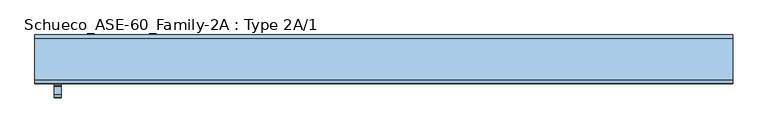
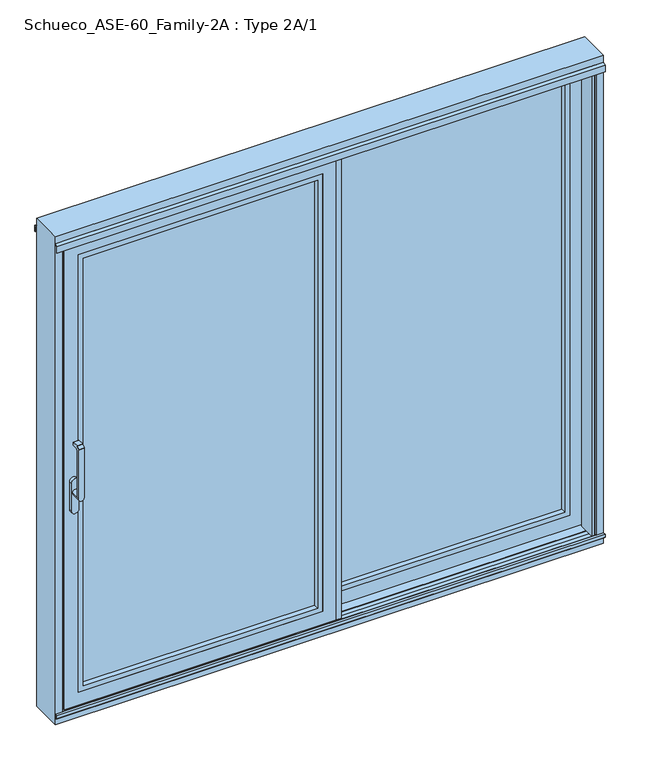
"""IFC4 building model written with IfcOpenShell, lengths in millimetres: window geometry, Schueco_ASE-60_Family-2A : Type 2A/1."""

from ifc_helpers import new_model, si_unit, point, frame, frame_2d, origin, origin_with_axes, place, context, project, spatial, polyline, circle_curve, trimmed, segment, composite_curve, outline, extrude, faceted_brep, source, transform, mapped, element, save
from ifc_brep_helpers import plane_surface, cylinder_surface, revolved_surface, advanced_brep


def schueco_ase_60_family_2a_type_2a_1_869ea8f3(model_context):
    return source(origin(), model_context, "Body", "SolidModel", [
        extrude(outline(polyline([(-51.0016879, 80.0), (-31.0017184, 80.0), (-31.0017184, 74.5), (-47.2016228, 74.5), (-47.2016228, 20.0000255), (-9.48e-05, 20.0000255), (-9.48e-05, 4.0000255), (-51.0016879, 4.0000255), (-51.0016879, 80.0)])), frame((0.0, 0.0, 3.9982816), z_axis=(0.0, 0.0, 1.0), x_axis=(1.0, 0.0, 0.0)), (0.0, 0.0, 1.0), 2127.0034368),
        extrude(outline(polyline([(2071.0, 1090.0), (2071.0, 29.0), (64.0, 29.0), (64.0, 1090.0), (2071.0, 1090.0)]), holes=[polyline([(2048.987351, 51.012649), (2048.987351, 1067.987351), (86.012649, 1067.987351), (86.012649, 51.012649), (2048.987351, 51.012649)])]), frame((0.0, 20.0000255, 0.0), z_axis=(0.0, 1.0, 0.0), x_axis=(0.0, 0.0, 1.0)), (0.0, 0.0, 1.0), 22.9999656),
        extrude(outline(polyline([(1090.0, 68.9999911), (1090.0, 42.9999911), (29.0, 42.9999911), (29.0, 68.9999911), (1090.0, 68.9999911)])), frame((0.0, 0.0, 64.0), z_axis=(0.0, 0.0, 1.0), x_axis=(1.0, 0.0, 0.0)), (0.0, 0.0, 1.0), 2007.0),
        faceted_brep([(1150.0, 25.5000255, 2131.0), (-31.0, 25.5000255, 2131.0), (-31.0, 20.0000255, 2131.0), (1150.0, 20.0000255, 2131.0), (51.0, 68.9999911, 2049.0), (51.0, 68.9999911, 86.0), (51.0, 80.0, 86.0), (51.0, 80.0, 2049.0), (-31.0017184, 80.0, 2131.0017184), (1150.0017184, 80.0, 2131.0017184), (1150.0017184, 80.0, 3.9982816), (-31.0017184, 80.0, 3.9982816), (1068.0, 80.0, 2049.0), (1068.0, 80.0, 86.0), (1068.0, 68.9999911, 86.0), (1090.0, 68.9999911, 2071.0), (29.0, 68.9999911, 2071.0), (29.0, 68.9999911, 64.0), (1090.0, 68.9999911, 64.0), (1068.0, 68.9999911, 2049.0), (29.0, 20.0000255, 2071.0), (29.0, 20.0000255, 64.0), (1090.0, 20.0000255, 64.0), (-31.0, 20.0000255, 4.0), (1150.0, 20.0000255, 4.0), (1090.0, 20.0000255, 2071.0), (-31.0, 25.5000255, 4.0), (1150.0, 25.5000255, 4.0), (1120.0, 25.5000255, 2101.0), (-1.0, 25.5000255, 2101.0), (-1.0, 25.5000255, 34.0), (1120.0, 25.5000255, 34.0), (-1.0, 74.5000332, 2101.0), (-1.0, 74.5000332, 34.0), (1150.0017184, 74.5000332, 2131.0017184), (-31.0017184, 74.5000332, 2131.0017184), (-31.0017184, 74.5000332, 3.9982816), (1150.0017184, 74.5000332, 3.9982816), (1120.0, 74.5000332, 2101.0), (1120.0, 74.5000332, 34.0)], [[[0, 1, 2, 3]], [[4, 5, 6, 7]], [[8, 9, 10, 11], [12, 7, 6, 13]], [[5, 14, 13, 6]], [[15, 16, 17, 18], [4, 19, 14, 5]], [[20, 21, 17, 16]], [[21, 22, 18, 17]], [[3, 2, 23, 24], [20, 25, 22, 21]], [[1, 26, 23, 2]], [[26, 27, 24, 23]], [[1, 0, 27, 26], [28, 29, 30, 31]], [[32, 33, 30, 29]], [[34, 35, 36, 37], [32, 38, 39, 33]], [[8, 11, 36, 35]], [[27, 0, 3, 24]], [[19, 4, 7, 12]], [[25, 20, 16, 15]], [[33, 39, 31, 30]], [[11, 10, 37, 36]], [[14, 19, 12, 13]], [[22, 25, 15, 18]], [[39, 38, 28, 31]], [[10, 9, 34, 37]], [[38, 32, 29, 28]], [[9, 8, 35, 34]]]),
        advanced_brep(
        [(-1099.75, -109.9999695, 1214.6494011), (-1099.75, -109.9999695, 999.0), (-1123.75, -109.9999695, 999.005052), (-1123.75, -109.9999695, 1214.6494011), (-1123.75, -73.9999695, 999.005052), (-1099.75, -73.9999695, 999.005052), (-1099.75, -121.414183, 1225.6502145), (-1099.75, -110.6501229, 1236.4142746), (-1123.75, -110.6501229, 1236.4142746), (-1123.75, -121.414183, 1225.6502145), (-1123.75, -121.9999695, 999.005052), (-1099.75, -121.9999695, 999.005052), (-1099.75, -121.9999695, 1224.2360009), (-1123.75, -121.9999695, 1224.2360009), (-1099.75, -102.6493095, 1222.000061), (-1099.75, -81.9999695, 1222.000061), (-1099.75, -79.9999695, 1224.000061), (-1099.75, -79.9999695, 1235.000061), (-1099.75, -81.9999695, 1237.000061), (-1099.75, -109.2359094, 1237.000061), (-1123.75, -109.2359094, 1237.000061), (-1123.75, -81.9999695, 1237.000061), (-1123.75, -79.9999695, 1235.000061), (-1123.75, -79.9999695, 1224.000061), (-1123.75, -81.9999695, 1222.000061), (-1123.75, -102.6493095, 1222.000061)],
        [
            (0, 1),
            (1, 2, circle_curve(frame((-1111.75, -109.9999695, 999.005052), z_axis=(0.0, -1.0, 0.0), x_axis=(1.0, 0.0, 0.0)), 12.0)),
            (2, 3),
            (3, 0),
            (4, 5, circle_curve(frame((-1111.75, -73.9999695, 999.005052), z_axis=(0.0, 1.0, 0.0), x_axis=(1.0, 0.0, 0.0)), 12.0)),
            (5, 4, circle_curve(frame((-1111.75, -73.9999695, 999.005052), z_axis=(0.0, 1.0, 0.0), x_axis=(1.0, 0.0, 0.0)), 12.0)),
            (6, 7),
            (7, 8),
            (8, 9),
            (9, 6),
            (10, 11, circle_curve(frame((-1111.75, -121.9999695, 999.005052), z_axis=(0.0, -1.0, 0.0), x_axis=(1.0, 0.0, 0.0)), 12.0)),
            (11, 12),
            (12, 13),
            (13, 10),
            (10, 2),
            (2, 4),
            (5, 1),
            (1, 11),
            (0, 14, circle_curve(frame((-1099.75, -102.6493095, 1214.6494011), z_axis=(-1.0, 0.0, 0.0), x_axis=(0.0, 0.0, -1.0)), 7.35066)),
            (14, 15),
            (15, 16, circle_curve(frame((-1099.75, -81.9999695, 1224.000061), z_axis=(1.0, 0.0, 0.0), x_axis=(0.0, 0.0, -1.0)), 2.0)),
            (16, 17),
            (17, 18, circle_curve(frame((-1099.75, -81.9999695, 1235.000061), z_axis=(1.0, 0.0, 0.0), x_axis=(0.0, 0.0, -1.0)), 2.0)),
            (18, 19),
            (19, 7, circle_curve(frame((-1099.75, -109.2359094, 1235.000061), z_axis=(1.0, 0.0, 0.0), x_axis=(0.0, 0.0, -1.0)), 2.0)),
            (6, 12, circle_curve(frame((-1099.75, -119.9999695, 1224.2360009), z_axis=(1.0, 0.0, 0.0), x_axis=(0.0, 0.0, -1.0)), 2.0)),
            (13, 9, circle_curve(frame((-1123.75, -119.9999695, 1224.2360009), z_axis=(-1.0, 0.0, 0.0), x_axis=(0.0, 0.0, -1.0)), 2.0)),
            (8, 20, circle_curve(frame((-1123.75, -109.2359094, 1235.000061), z_axis=(-1.0, 0.0, 0.0), x_axis=(0.0, 0.0, -1.0)), 2.0)),
            (20, 21),
            (21, 22, circle_curve(frame((-1123.75, -81.9999695, 1235.000061), z_axis=(-1.0, 0.0, 0.0), x_axis=(0.0, 0.0, -1.0)), 2.0)),
            (22, 23),
            (23, 24, circle_curve(frame((-1123.75, -81.9999695, 1224.000061), z_axis=(-1.0, 0.0, 0.0), x_axis=(0.0, 0.0, -1.0)), 2.0)),
            (24, 25),
            (25, 3, circle_curve(frame((-1123.75, -102.6493095, 1214.6494011), z_axis=(1.0, 0.0, 0.0), x_axis=(0.0, 0.0, -1.0)), 7.35066)),
            (25, 14),
            (24, 15),
            (23, 16),
            (22, 17),
            (21, 18),
            (20, 19),
        ],
        [
            plane_surface(frame((-1099.75, -109.9999695, 999.0), z_axis=(0.0, 1.0, 0.0), x_axis=(-1.0, 0.0, 0.0))),
            plane_surface(frame((-1099.75, -73.9999695, 999.005052), z_axis=(0.0, 1.0, 0.0), x_axis=(0.0, 0.0, -1.0))),
            plane_surface(frame((-1099.75, -110.6501229, 1236.4142746), z_axis=(0.0, -0.7071067811865422, 0.7071067811865528), x_axis=(-1.0, 0.0, 0.0))),
            plane_surface(frame((-1099.75, -121.9999695, 999.005052), z_axis=(0.0, -1.0, 0.0), x_axis=(0.0, 0.0, 1.0))),
            cylinder_surface(frame((-1111.75, -73.9999695, 999.005052), z_axis=(0.0, -1.0, 0.0), x_axis=(1.0, 0.0, 0.0)), 12.0),
            plane_surface(frame((-1099.75, -121.9999695, 1004.7503433), z_axis=(1.0, 0.0, 0.0), x_axis=(0.0, 0.0, -1.0))),
            plane_surface(frame((-1123.75, -121.9999695, 1004.7503433), z_axis=(-1.0, 0.0, 0.0), x_axis=(0.0, 0.0, 1.0))),
            revolved_surface(polyline([(-1123.75, -102.6493095, 1207.2987411), (-1099.75, -102.6493095, 1207.2987411)]), (-1123.75, -102.6493095, 1214.6494011), (-1.0, 0.0, 0.0)),
            plane_surface(frame((-1099.75, -102.6493095, 1222.000061), z_axis=(0.0, 0.0, -1.0), x_axis=(-1.0, 0.0, 0.0))),
            cylinder_surface(frame((-1123.75, -81.9999695, 1224.000061), z_axis=(1.0, 0.0, 0.0), x_axis=(0.0, 0.0, -1.0)), 2.0),
            plane_surface(frame((-1099.75, -79.9999695, 1224.000061), z_axis=(0.0, 1.0, 0.0), x_axis=(-1.0, 0.0, 0.0))),
            cylinder_surface(frame((-1123.75, -81.9999695, 1235.000061), z_axis=(1.0, 0.0, 0.0), x_axis=(0.0, 0.0, -1.0)), 2.0),
            plane_surface(frame((-1099.75, -81.9999695, 1237.000061), z_axis=(0.0, 0.0, 1.0), x_axis=(-1.0, 0.0, 0.0))),
            cylinder_surface(frame((-1123.75, -109.2359094, 1235.000061), z_axis=(1.0, 0.0, 0.0), x_axis=(0.0, 0.0, -1.0)), 2.0),
            cylinder_surface(frame((-1123.75, -119.9999695, 1224.2360009), z_axis=(1.0, 0.0, 0.0), x_axis=(0.0, 0.0, -1.0)), 2.0),
        ],
        [
            (0, [[1, 2, 3, 4]]),
            (1, [[5, 6]]),
            (2, [[7, 8, 9, 10]]),
            (3, [[11, 12, 13, 14]]),
            (4, [[-11, 15, 16, -6, 17, 18]]),
            (4, [[-5, -16, -2, -17]]),
            (5, [[-12, -18, -1, 19, 20, 21, 22, 23, 24, 25, -7, 26]]),
            (6, [[27, -9, 28, 29, 30, 31, 32, 33, 34, -3, -15, -14]]),
            (7, [[-19, -4, -34, 35]]),
            (8, [[-20, -35, -33, 36]]),
            (9, [[-21, -36, -32, 37]]),
            (10, [[-22, -37, -31, 38]]),
            (11, [[-23, -38, -30, 39]]),
            (12, [[-24, -39, -29, 40]]),
            (13, [[-25, -40, -28, -8]]),
            (14, [[-26, -10, -27, -13]]),
        ],
    ),
        extrude(outline(composite_curve([segment(trimmed(circle_curve(frame_2d((917.2823932, -1111.75)), 16.75), [point((917.2823932, -1128.5))], [point((917.2823932, -1095.0))], False, "CARTESIAN"), True, "CONTINUOUS"), segment(polyline([(917.2823932, -1095.0), (1044.0099288, -1095.0)]), True, "CONTINUOUS"), segment(trimmed(circle_curve(frame_2d((1044.0099288, -1111.75)), 16.75), [point((1044.0099288, -1095.0))], [point((1044.0099288, -1128.5))], False, "CARTESIAN"), True, "CONTINUOUS"), segment(polyline([(1044.0099288, -1128.5), (917.2823932, -1128.5)]), True, "CONTINUOUS")], self_intersect=False)), frame((0.0, -73.9999695, 0.0), z_axis=(0.0, 1.0, 0.0), x_axis=(0.0, 0.0, 1.0)), (0.0, 0.0, 1.0), 13.9999695),
        extrude(outline(polyline([(-0.0016236, 15.9999745), (50.9999695, 15.9999745), (50.9999695, -60.0), (31.0, -60.0), (31.0, -54.5), (47.1999044, -54.5), (47.1999044, -2.55e-05), (-0.0016236, -2.55e-05), (-0.0016236, 15.9999745)])), frame((0.0, 0.0, 4.0), z_axis=(0.0, 0.0, 1.0), x_axis=(1.0, 0.0, 0.0)), (0.0, 0.0, 1.0), 2127.0),
        extrude(outline(polyline([(2071.0, -1090.0), (64.0, -1090.0), (64.0, -29.0), (2071.0, -29.0), (2071.0, -1090.0)]), holes=[polyline([(2048.987351, -51.012649), (86.012649, -51.012649), (86.012649, -1067.987351), (2048.987351, -1067.987351), (2048.987351, -51.012649)])]), frame((0.0, -60.0, 0.0), z_axis=(0.0, 1.0, 0.0), x_axis=(0.0, 0.0, 1.0)), (0.0, 0.0, 1.0), 22.9999656),
        extrude(outline(polyline([(-1090.0, -11.0000344), (-29.0, -11.0000344), (-29.0, -37.0000344), (-1090.0, -37.0000344), (-1090.0, -11.0000344)])), frame((0.0, 0.0, 64.0), z_axis=(0.0, 0.0, 1.0), x_axis=(1.0, 0.0, 0.0)), (0.0, 0.0, 1.0), 2007.0),
        faceted_brep([(-1150.0, -54.5, 2131.0), (-1150.0, -60.0, 2131.0), (31.0, -60.0, 2131.0), (31.0, -54.5, 2131.0), (-51.0, -11.0000344, 2049.0), (-51.0, -2.55e-05, 2049.0), (-51.0, -2.55e-05, 86.0), (-51.0, -11.0000344, 86.0), (31.0017184, -2.55e-05, 2131.0017184), (31.0017184, -2.55e-05, 3.9982816), (-1150.0017184, -2.55e-05, 3.9982816), (-1150.0017184, -2.55e-05, 2131.0017184), (-1068.0, -2.55e-05, 2049.0), (-1068.0, -2.55e-05, 86.0), (-1068.0, -11.0000344, 86.0), (-1090.0, -11.0000344, 2071.0), (-1090.0, -11.0000344, 64.0), (-29.0, -11.0000344, 64.0), (-29.0, -11.0000344, 2071.0), (-1068.0, -11.0000344, 2049.0), (-29.0, -60.0, 2071.0), (-29.0, -60.0, 64.0), (-1090.0, -60.0, 64.0), (-1150.0, -60.0, 4.0), (31.0, -60.0, 4.0), (-1090.0, -60.0, 2071.0), (31.0, -54.5, 4.0), (-1150.0, -54.5, 4.0), (-1120.0, -54.5, 2101.0), (-1120.0, -54.5, 34.0), (1.0, -54.5, 34.0), (1.0, -54.5, 2101.0), (1.0, -5.4999923, 2101.0), (1.0, -5.4999923, 34.0), (-1150.0017184, -5.4999923, 2131.0017184), (-1150.0017184, -5.4999923, 3.9982816), (31.0017184, -5.4999923, 3.9982816), (31.0017184, -5.4999923, 2131.0017184), (-1120.0, -5.4999923, 34.0), (-1120.0, -5.4999923, 2101.0)], [[[0, 1, 2, 3]], [[4, 5, 6, 7]], [[8, 9, 10, 11], [12, 13, 6, 5]], [[7, 6, 13, 14]], [[15, 16, 17, 18], [4, 7, 14, 19]], [[20, 18, 17, 21]], [[21, 17, 16, 22]], [[1, 23, 24, 2], [20, 21, 22, 25]], [[3, 2, 24, 26]], [[26, 24, 23, 27]], [[3, 26, 27, 0], [28, 29, 30, 31]], [[32, 31, 30, 33]], [[34, 35, 36, 37], [32, 33, 38, 39]], [[8, 37, 36, 9]], [[27, 23, 1, 0]], [[19, 12, 5, 4]], [[25, 15, 18, 20]], [[33, 30, 29, 38]], [[9, 36, 35, 10]], [[14, 13, 12, 19]], [[22, 16, 15, 25]], [[38, 29, 28, 39]], [[10, 35, 34, 11]], [[39, 28, 31, 32]], [[11, 34, 37, 8]]]),
        extrude(outline(polyline([(-1139.0, 5.0), (-1158.0007202, 5.0), (-1158.0007202, 9.0), (-1142.0, 9.0), (-1142.0, 68.2882381), (-1150.0, 71.2), (-1150.0, 80.0), (-1139.0, 80.0), (-1139.0, 5.0)])), origin_with_axes(), (0.0, 0.0, 1.0), 2157.5),
        extrude(outline(polyline([(1139.0, 15.0), (1158.0007202, 15.0), (1158.0007202, 11.0), (1142.0, 11.0), (1142.0, -48.2882381), (1150.0, -51.2), (1150.0, -60.0), (1139.0, -60.0), (1139.0, 15.0)])), origin_with_axes(), (0.0, 0.0, 1.0), 2157.5),
        faceted_brep([(1190.0, 80.0, -51.0), (1190.0, -60.0, -51.0), (-1190.0, -60.0, -51.0), (-1190.0, 80.0, -51.0), (1190.0, 80.0, 2190.0), (1190.0, -60.0, 2190.0), (-1190.0, -60.0, 2190.0), (-1158.0, -60.0, -19.0), (-1158.0, -60.0, 2157.5), (1158.0, -60.0, 2157.5), (1158.0, -60.0, -19.0), (-1190.0, 80.0, 2190.0), (-1158.0, -51.2000255, -19.0), (-1158.0, -51.2000255, 2157.5), (1158.0, -51.2000255, 2157.5), (1158.0, -51.2000255, -19.0), (1142.0, -11.7120495, -3.0), (1142.0, -48.2882636, -3.0), (1142.0, -48.2882636, 2122.0), (1142.0, -11.7120495, 2122.0), (1142.0, -11.7120495, 2155.2007202), (1142.0, -11.7120495, 2130.9120495), (1142.0, -15.8, 2135.0), (1142.0, -15.8, 2155.2007202), (1142.0, -48.2882636, 2130.9117364), (1142.0, -48.2882636, 2142.0), (1142.0, -44.2, 2142.0), (1142.0, -44.2, 2135.0), (-1142.0, -11.7120245, -3.0), (-1142.0, -48.2882386, -3.0), (1150.0, -51.2000255, -11.00007), (1150.0, -51.2000255, 2150.0), (1146.7029571, -50.0, 2129.2), (1146.7029571, -50.0, 2122.0), (1150.0007202, -8.8000255, -11.0006502), (1146.7038173, -10.0, 2122.0), (1146.7038173, -10.0, 2129.2), (1150.0007202, -8.8000255, 2155.2007202), (-1150.0, -51.2000255, -11.00007), (-1150.0, -51.2000255, 2150.0), (-1141.9999998, -48.2882635, 2122.0), (-1146.7029571, -50.0, 2122.0), (-1146.7029571, -50.0, 2129.2), (-1141.9999996, -48.2882635, 2130.9117365), (-1141.9999998, -48.2882635, 2142.0), (-1150.0007202, -8.8000255, -11.0006502), (1158.0007202, -8.8000255, 2155.2007202), (1158.0007202, -8.8000255, -19.0007202), (-1158.0007202, -8.8000255, -19.0007202), (-1158.0007202, -8.8000255, 2155.2007202), (-1150.0007202, -8.8000255, 2155.2007202), (1158.0007202, 28.7999745, -19.0007202), (1158.0007202, 28.7999745, 2155.2007202), (-1158.0007202, 28.7999745, -19.0007202), (-1158.0007202, 28.7999745, 2155.2007202), (-1142.0000001, -11.7120494, 2155.2007202), (-1142.0000002, -11.7120494, 2130.9120494), (-1146.7038173, -10.0, 2129.2), (-1146.7038173, -10.0, 2122.0), (-1142.0000003, -11.7120494, 2122.0), (1150.0007202, 28.7999745, -11.0007902), (-1150.0007202, 28.7999745, -11.0007902), (-1150.0007202, 28.7999745, 2155.2007202), (1150.0007202, 28.7999745, 2155.2007202), (1141.9999672, 31.7120105, -3.0000372), (-1141.9999314, 31.7120239, -3.0000002), (-1141.9999979, 31.7119993, 2122.0), (-1146.7036773, 30.0, 2122.0), (-1146.7036773, 30.0, 2129.2), (-1141.9999982, 31.7119992, 2130.9119992), (-1141.9999989, 31.7119989, 2155.2007202), (1142.0, 31.7119985, 2155.2007202), (1142.0, 31.7119985, 2130.9119985), (1146.7036773, 30.0, 2129.2), (1146.7036773, 30.0, 2122.0), (1142.0, 31.7119985, 2122.0), (1142.0, 35.8, 2155.2007202), (1142.0, 35.8, 2135.0), (1142.0, 68.2882381, -3.0), (1142.0, 68.2882381, 2122.0), (1142.0, 68.2882381, 2142.0), (1142.0, 68.2882381, 2130.9117619), (1142.0, 64.2, 2135.0), (1142.0, 64.2, 2142.0), (-1142.0, 68.2882381, -3.0), (1150.0, 71.2, -11.0), (1146.7030271, 70.0, 2122.0), (1146.7030271, 70.0, 2129.2), (1150.0, 71.2, 2150.0), (-1150.0, 71.2, -11.0), (1158.0, 71.2, -19.0), (-1158.0, 71.2, -19.0), (-1158.0, 71.2, 2157.5), (1158.0, 71.2, 2157.5), (-1150.0, 71.2, 2150.0), (-1142.0, 68.2882381, 2142.0), (-1142.0, 68.2882381, 2130.9117619), (-1146.7030271, 70.0, 2129.2), (-1146.7030271, 70.0, 2122.0), (-1142.0, 68.2882381, 2122.0), (1158.0, 80.0, -19.0), (-1158.0, 80.0, -19.0), (-1158.0, 80.0, 2157.5), (1158.0, 80.0, 2157.5), (-1142.0, 64.2, 2142.0), (-1142.0, 64.2, 2135.0), (-1142.0, 35.8, 2135.0), (-1142.0, 35.8, 2155.2007202), (-1142.0, -15.8, 2155.2007202), (-1142.0, -15.8, 2135.0), (-1142.0, -44.2, 2135.0), (-1142.0, -44.2, 2142.0)], [[[0, 1, 2, 3]], [[0, 4, 5, 1]], [[5, 6, 2, 1], [7, 8, 9, 10]], [[11, 3, 2, 6]], [[7, 12, 13, 8]], [[14, 15, 10, 9]], [[10, 15, 12, 7]], [[16, 17, 18, 19]], [[20, 21, 22, 23]], [[24, 25, 26, 27]], [[17, 16, 28, 29]], [[17, 30, 31, 25, 24, 32, 33, 18]], [[34, 16, 19, 35, 36, 21, 20, 37]], [[12, 15, 14, 13], [30, 38, 39, 31]], [[30, 17, 29, 38]], [[38, 29, 40, 41, 42, 43, 44, 39]], [[16, 34, 45, 28]], [[45, 34, 37, 46, 47, 48, 49, 50]], [[51, 47, 46, 52]], [[47, 51, 53, 48]], [[48, 53, 54, 49]], [[28, 45, 50, 55, 56, 57, 58, 59]], [[60, 61, 62, 54, 53, 51, 52, 63]], [[60, 64, 65, 61]], [[61, 65, 66, 67, 68, 69, 70, 62]], [[64, 60, 63, 71, 72, 73, 74, 75]], [[72, 71, 76, 77]], [[78, 64, 75, 79]], [[80, 81, 82, 83]], [[64, 78, 84, 65]], [[85, 78, 79, 86, 87, 81, 80, 88]], [[78, 85, 89, 84]], [[90, 91, 92, 93], [89, 85, 88, 94]], [[84, 89, 94, 95, 96, 97, 98, 99]], [[90, 100, 101, 91]], [[92, 91, 101, 102]], [[100, 90, 93, 103]], [[65, 84, 99, 66]], [[96, 95, 104, 105]], [[70, 69, 106, 107]], [[29, 28, 59, 40]], [[56, 55, 108, 109]], [[44, 43, 110, 111]], [[5, 4, 11, 6]], [[9, 8, 13, 14]], [[58, 35, 19, 18, 33, 41, 40, 59]], [[109, 22, 21, 36, 57, 56]], [[108, 23, 22, 109]], [[107, 76, 71, 63, 52, 46, 37, 20, 23, 108, 55, 50, 49, 54, 62, 70]], [[25, 44, 111, 26]], [[110, 27, 26, 111]], [[42, 32, 24, 27, 110, 43]], [[44, 25, 31, 39]], [[41, 33, 32, 42]], [[57, 36, 35, 58]], [[68, 73, 72, 77, 106, 69]], [[67, 74, 73, 68]], [[98, 86, 79, 75, 74, 67, 66, 99]], [[106, 77, 76, 107]], [[105, 82, 81, 87, 97, 96]], [[104, 83, 82, 105]], [[95, 80, 83, 104]], [[97, 87, 86, 98]], [[94, 88, 80, 95]], [[93, 92, 102, 103]], [[11, 4, 0, 3], [100, 103, 102, 101]]]),
        extrude(outline(polyline([(-73.0, -2.0), (-60.0, -2.0), (-60.0, -21.8), (-66.4, -21.8), (-73.0, -15.2), (-73.0, -2.0)])), frame((-1190.0, 0.0, 0.0), z_axis=(1.0, 0.0, 0.0), x_axis=(0.0, 1.0, 0.0)), (0.0, 0.0, 1.0), 2380.0),
        extrude(outline(polyline([(-51.2000255, 2150.5), (-68.5243789, 2150.5), (-71.0000233, 2149.0706861), (-71.0000233, 2121.5), (-72.6000233, 2121.5), (-72.6000233, 2150.225198), (-59.9996967, 2157.5), (-51.2000255, 2157.5), (-51.2000255, 2150.5)])), frame((-1190.0, 0.0, 0.0), z_axis=(1.0, 0.0, 0.0), x_axis=(0.0, 1.0, 0.0)), (0.0, 0.0, 1.0), 2380.0),
        extrude(outline(polyline([(71.2000255, 2150.5), (71.2000255, 2157.5), (79.9996967, 2157.5), (92.6000233, 2150.225198), (92.6000233, 2121.5), (91.0000233, 2121.5), (91.0000233, 2149.0706861), (88.5243789, 2150.5), (71.2000255, 2150.5)])), frame((-1190.0, 0.0, 0.0), z_axis=(1.0, 0.0, 0.0), x_axis=(0.0, 1.0, 0.0)), (0.0, 0.0, 1.0), 2380.0),
        extrude(outline(polyline([(28.7999745, -11.0007902), (28.7999745, -19.0007202), (-8.8000255, -19.0007202), (-8.8000255, -11.0006502), (-11.7120375, -2.9999628), (-18.0, -2.9999628), (-18.0, 0.0), (38.0002751, 0.0), (38.0002751, -3.0), (31.712024, -3.0), (28.7999745, -11.0007902)])), frame((-1158.0007202, 0.0, 0.0), z_axis=(1.0, 0.0, 0.0), x_axis=(0.0, 1.0, 0.0)), (0.0, 0.0, 1.0), 2316.0014404),
        extrude(outline(polyline([(80.0, -11.0), (71.2, -11.0), (68.2882381, -3.0), (62.0002751, -3.0), (62.0002751, 0.0), (80.0, 0.0), (80.0, -11.0)])), frame((-1158.0007202, 0.0, 0.0), z_axis=(1.0, 0.0, 0.0), x_axis=(0.0, 1.0, 0.0)), (0.0, 0.0, 1.0), 2316.0014404),
        extrude(outline(polyline([(-48.2882246, -2.9999628), (-51.2000255, -11.00007), (-51.2000255, -19.0007202), (-60.0, -19.0007202), (-60.0, 0.0), (-42.0, 0.0), (-42.0, -2.9999628), (-48.2882246, -2.9999628)])), frame((-1158.0007202, 0.0, 0.0), z_axis=(1.0, 0.0, 0.0), x_axis=(0.0, 1.0, 0.0)), (0.0, 0.0, 1.0), 2316.0014404),
    ])


if __name__ == "__main__":
    model = new_model("IFC4")
    model_context = context("Model", 3, world=origin())
    ifc_project = project(units=[si_unit("LENGTHUNIT", "METRE", prefix="MILLI")], contexts=[model_context])
    site = spatial("IfcSite", under=ifc_project)
    building = spatial("IfcBuilding", under=site)
    placement = place(None, origin())
    schueco_ase_60_family_2a_type_2a_1_shape = schueco_ase_60_family_2a_type_2a_1_869ea8f3(model_context)
    element("IfcWindow", 1, ObjectType="Schueco_ASE-60_Family-2A : Type 2A/1", at=placement, inside=building, context=model_context, shape_type="MappedRepresentation", body=[
        mapped(schueco_ase_60_family_2a_type_2a_1_shape, transform((0.0, 0.0, 0.0), x_axis=(1.0, 0.0, 0.0), y_axis=(0.0, 1.0, 0.0), z_axis=(0.0, 0.0, 1.0))),
    ])
    save(model, "model.ifc")
